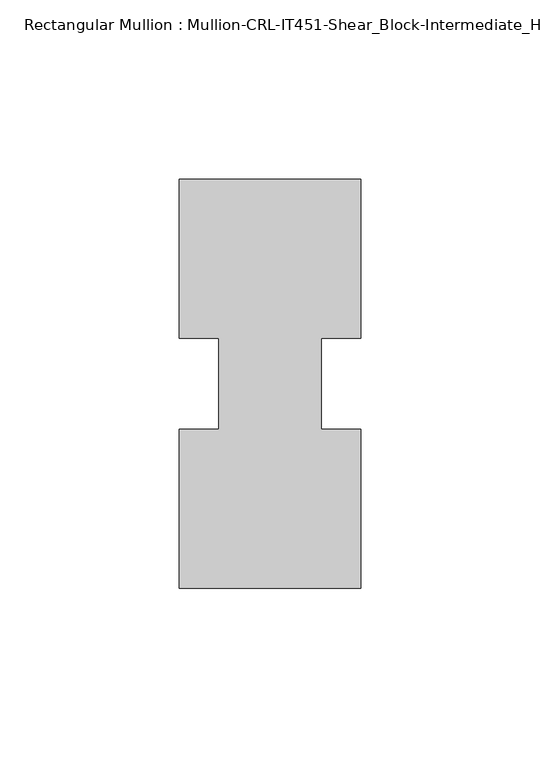
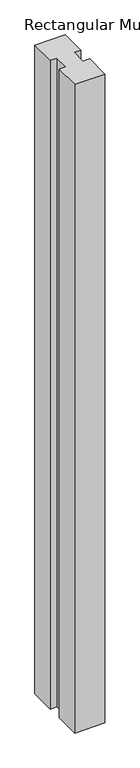
"""IFC4 building model written with IfcOpenShell, lengths in millimetres: member geometry, Rectangular Mullion : Mullion-CRL-IT451-Shear_Block-Intermediate_Horizontal."""

from ifc_helpers import new_model, si_unit, frame, origin, place, context, project, spatial, polyline, outline, extrude, source, transform, mapped, element, save


def rectangular_mullion_mullion_crl_it451_shear_block_7ddaf54e(model_context):
    return source(origin(), model_context, "Body", "SweptSolid", [
        extrude(outline(polyline([(-25.4, -57.1500171), (-25.4, -12.7000171), (-14.2875, -12.7000171), (-14.2875, 12.7000171), (-25.4, 12.7000171), (-25.4, 57.1499829), (25.4, 57.1499829), (25.4, 12.7000171), (14.2875, 12.7000171), (14.2875, -12.7000171), (25.4, -12.7000171), (25.4, -57.1500171), (-25.4, -57.1500171)])), frame((0.0, 0.0, -1143.0), z_axis=(0.0, 0.0, 1.0), x_axis=(1.0, 0.0, 0.0)), (0.0, 0.0, 1.0), 1143.0),
    ])


if __name__ == "__main__":
    model = new_model("IFC4")
    model_context = context("Model", 3, world=origin())
    ifc_project = project(units=[si_unit("LENGTHUNIT", "METRE", prefix="MILLI")], contexts=[model_context])
    site = spatial("IfcSite", under=ifc_project)
    building = spatial("IfcBuilding", under=site)
    placement = place(None, origin())
    rectangular_mullion_mullion_crl_it451_shear_block_shape = rectangular_mullion_mullion_crl_it451_shear_block_7ddaf54e(model_context)
    element("IfcMember", 1, ObjectType="Rectangular Mullion : Mullion-CRL-IT451-Shear_Block-Intermediate_Horizontal", at=placement, inside=building, context=model_context, shape_type="MappedRepresentation", body=[
        mapped(rectangular_mullion_mullion_crl_it451_shear_block_shape, transform((0.0, 0.0, 0.0), x_axis=(1.0, 0.0, 0.0), y_axis=(0.0, 1.0, 0.0), z_axis=(0.0, 0.0, 1.0))),
    ])
    save(model, "model.ifc")
